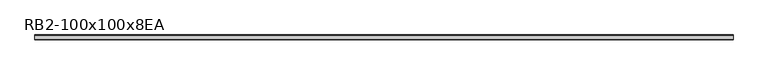
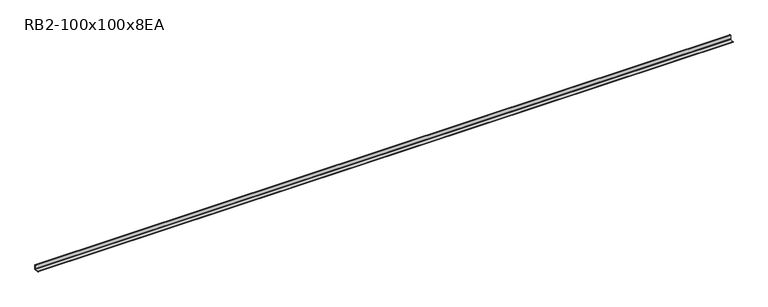
"""IFC4 building model written with IfcOpenShell, lengths in millimetres: member geometry, RB2-100x100x8EA."""

from ifc_helpers import new_model, si_unit, point, frame, frame_2d, origin, place, context, project, spatial, polyline, circle_curve, trimmed, segment, composite_curve, outline, extrude, source, transform, mapped, element, save


def rb2_100x100x8ea_d354ec0f(model_context):
    return source(origin(), model_context, "Body", "SweptSolid", [
        extrude(outline(composite_curve([segment(polyline([(27.5, -27.5), (-72.5, -27.5), (-72.5, -24.5)]), True, "CONTINUOUS"), segment(trimmed(circle_curve(frame_2d((-67.5, -24.5)), 5.0), [point((-72.5, -24.5))], [point((-67.5, -19.5))], False, "CARTESIAN"), True, "CONTINUOUS"), segment(polyline([(-67.5, -19.5), (11.5, -19.5)]), True, "CONTINUOUS"), segment(trimmed(circle_curve(frame_2d((11.5, -11.5)), 8.0), [point((11.5, -19.5))], [point((19.5, -11.5))], True, "CARTESIAN"), True, "CONTINUOUS"), segment(polyline([(19.5, -11.5), (19.5, 67.5)]), True, "CONTINUOUS"), segment(trimmed(circle_curve(frame_2d((24.5, 67.5)), 5.0), [point((19.5, 67.5))], [point((24.5, 72.5))], False, "CARTESIAN"), True, "CONTINUOUS"), segment(polyline([(24.5, 72.5), (27.5, 72.5), (27.5, -27.5)]), True, "CONTINUOUS")], self_intersect=False)), frame((-7278.0, 0.0, 0.0), z_axis=(1.0, 0.0, 0.0), x_axis=(0.0, 1.0, 0.0)), (0.0, 0.0, 1.0), 14555.0),
    ])


if __name__ == "__main__":
    model = new_model("IFC4")
    model_context = context("Model", 3, world=origin())
    ifc_project = project(units=[si_unit("LENGTHUNIT", "METRE", prefix="MILLI")], contexts=[model_context])
    site = spatial("IfcSite", under=ifc_project)
    building = spatial("IfcBuilding", under=site)
    placement = place(None, origin())
    rb2_100x100x8ea_shape = rb2_100x100x8ea_d354ec0f(model_context)
    element("IfcMember", 1, ObjectType="RB2-100x100x8EA", at=placement, inside=building, context=model_context, shape_type="MappedRepresentation", body=[
        mapped(rb2_100x100x8ea_shape, transform((0.0, 0.0, 0.0), x_axis=(1.0, 0.0, 0.0), y_axis=(0.0, 1.0, 0.0), z_axis=(0.0, 0.0, 1.0))),
    ])
    save(model, "model.ifc")
